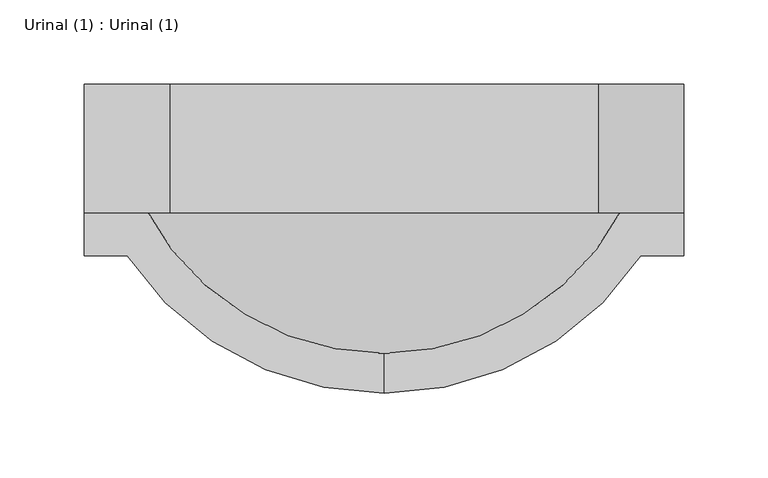
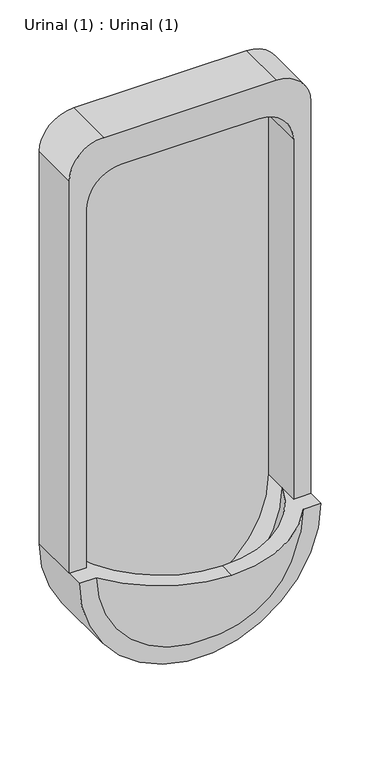
"""IFC4 building model written with IfcOpenShell, lengths in millimetres: flow terminal geometry, Urinal (1) : Urinal (1)."""

from ifc_helpers import new_model, si_unit, point, frame, frame_2d, origin, place, context, project, spatial, polyline, circle_curve, ellipse_curve, trimmed, segment, composite_curve, outline, extrude, source, transform, mapped, element, save
from ifc_brep_helpers import plane_surface, cylinder_surface, revolved_surface, advanced_brep


def urinal_1_urinal_1_4e503481(model_context):
    return source(origin(), model_context, "Body", "SolidModel", [
        advanced_brep(
        [(43.3254001, -131.2, 600.0), (68.7254001, -131.2, 600.0), (68.7254001, -131.2, 1209.6), (17.9254001, -131.2, 1260.4), (-236.0745999, -131.2, 1260.4), (-286.8745999, -131.2, 1209.6), (-286.8745999, -131.2, 600.0), (-261.4745999, -131.2, 600.0), (-261.4745999, -131.2, 1158.8), (-210.6745999, -131.2, 1209.6), (-7.4745999, -131.2, 1209.6), (43.3254001, -131.2, 1158.8), (68.7254001, -55.0, 600.0), (-286.8745999, -55.0, 600.0), (-286.8745999, -55.0, 1209.6), (-236.0745999, -55.0, 1260.4), (17.9254001, -55.0, 1260.4), (68.7254001, -55.0, 1209.6), (43.3254001, -55.0, 1158.8), (-7.4745999, -55.0, 1209.6), (-210.6745999, -55.0, 1209.6), (-261.4745999, -55.0, 1158.8), (-261.4745999, -55.0, 600.0), (43.3254001, -55.0, 600.0), (43.3254001, -101.8706063, 600.0), (-261.4745999, -101.8706063, 600.0), (-109.0745999, -238.1620048, 600.0), (43.3254001, -156.6, 600.0), (68.7254001, -156.6, 600.0), (-109.0745999, -214.4447043, 600.0), (-286.8745999, -156.6, 600.0), (-261.4745999, -156.6, 600.0)],
        [
            (0, 1),
            (1, 2),
            (2, 3, circle_curve(frame((17.9254001, -131.2, 1209.6), z_axis=(0.0, -1.0, 0.0), x_axis=(-1.0, 0.0, 0.0)), 50.8)),
            (3, 4),
            (4, 5, circle_curve(frame((-236.0745999, -131.2, 1209.6), z_axis=(0.0, -1.0, 0.0), x_axis=(-1.0, 0.0, 0.0)), 50.8)),
            (5, 6),
            (6, 7),
            (7, 8),
            (8, 9, circle_curve(frame((-210.6745999, -131.2, 1158.8), z_axis=(0.0, 1.0, 0.0), x_axis=(-1.0, 0.0, 0.0)), 50.8)),
            (9, 10),
            (10, 11, circle_curve(frame((-7.4745999, -131.2, 1158.8), z_axis=(0.0, 1.0, 0.0), x_axis=(-1.0, 0.0, 0.0)), 50.8)),
            (11, 0),
            (12, 13, circle_curve(frame((-109.0745999, -55.0, 600.0), z_axis=(0.0, 1.0, 0.0), x_axis=(1.0, 0.0, 0.0)), 177.8)),
            (13, 14),
            (14, 15, circle_curve(frame((-236.0745999, -55.0, 1209.6), z_axis=(0.0, 1.0, 0.0), x_axis=(-1.0, 0.0, 0.0)), 50.8)),
            (15, 16),
            (16, 17, circle_curve(frame((17.9254001, -55.0, 1209.6), z_axis=(0.0, 1.0, 0.0), x_axis=(-1.0, 0.0, 0.0)), 50.8)),
            (17, 12),
            (18, 19, circle_curve(frame((-7.4745999, -55.0, 1158.8), z_axis=(0.0, -1.0, 0.0), x_axis=(-1.0, 0.0, 0.0)), 50.8)),
            (19, 20),
            (20, 21, circle_curve(frame((-210.6745999, -55.0, 1158.8), z_axis=(0.0, -1.0, 0.0), x_axis=(-1.0, 0.0, 0.0)), 50.8)),
            (21, 22),
            (22, 23, circle_curve(frame((-109.0745999, -55.0, 600.0), z_axis=(0.0, -1.0, 0.0), x_axis=(1.0, 0.0, 0.0)), 152.4)),
            (23, 18),
            (11, 18),
            (23, 24),
            (24, 0),
            (10, 19),
            (9, 20),
            (8, 21),
            (7, 25),
            (25, 22),
            (5, 14),
            (13, 6),
            (4, 15),
            (3, 16),
            (2, 17),
            (1, 12),
            (26, 27, circle_curve(frame((-109.0745999, -55.0, 600.0), z_axis=(0.0, 0.0, 1.0), x_axis=(1.0, 0.0, 0.0)), 183.1620048)),
            (27, 28),
            (28, 1),
            (24, 29, circle_curve(frame((-109.0745999, -55.0, 600.0), z_axis=(0.0, 0.0, -1.0), x_axis=(1.0, 0.0, 0.0)), 159.4447043)),
            (29, 26),
            (29, 25, circle_curve(frame((-109.0745999, -55.0, 600.0), z_axis=(0.0, 0.0, -1.0), x_axis=(-1.0, 0.0, 0.0)), 159.4447043)),
            (6, 30),
            (30, 31),
            (31, 26, circle_curve(frame((-109.0745999, -55.0, 600.0), z_axis=(0.0, 0.0, 1.0), x_axis=(-1.0, 0.0, 0.0)), 183.1620048)),
            (24, 25, circle_curve(frame((-109.0745999, -101.8706063, 600.0), z_axis=(0.0, 1.0, 0.0), x_axis=(1.0, 0.0, 0.0)), 152.4)),
            (28, 30, circle_curve(frame((-109.0745999, -156.6, 600.0), z_axis=(0.0, 1.0, 0.0), x_axis=(1.0, 0.0, 0.0)), 177.8)),
            (27, 31, circle_curve(frame((-109.0745999, -156.6, 600.0), z_axis=(0.0, 1.0, 0.0), x_axis=(1.0, 0.0, 0.0)), 152.4)),
        ],
        [
            plane_surface(frame((43.3254001, -131.2, 600.0), z_axis=(0.0, -1.0, 0.0), x_axis=(0.0, 0.0, 1.0))),
            plane_surface(frame((43.3254001, -55.0, 600.0), z_axis=(0.0, 1.0, 0.0), x_axis=(0.0, 0.0, -1.0))),
            plane_surface(frame((43.3254001, -131.2, 600.0), z_axis=(-1.0, 0.0, 0.0), x_axis=(0.0, 1.0, 0.0))),
            revolved_surface(polyline([(-58.2745999, -55.0, 1158.8), (-58.2745999, -131.2, 1158.8)]), (-7.4745999, -55.0, 1158.8), (0.0, 1.0, 0.0)),
            plane_surface(frame((-7.4745999, -131.2, 1209.6), z_axis=(0.0, 0.0, -1.0), x_axis=(0.0, 1.0, 0.0))),
            revolved_surface(polyline([(-261.4745999, -55.0, 1158.8), (-261.4745999, -131.2, 1158.8)]), (-210.6745999, -55.0, 1158.8), (0.0, 1.0, 0.0)),
            plane_surface(frame((-261.4745999, -131.2, 1158.8), z_axis=(1.0, 0.0, 0.0), x_axis=(0.0, 1.0, 0.0))),
            plane_surface(frame((-286.8745999, -131.2, 600.0), z_axis=(-1.0, 0.0, 0.0), x_axis=(0.0, 1.0, 0.0))),
            cylinder_surface(frame((-236.0745999, -55.0, 1209.6), z_axis=(0.0, -1.0, 0.0), x_axis=(-1.0, 0.0, 0.0)), 50.8),
            plane_surface(frame((-236.0745999, -131.2, 1260.4), z_axis=(0.0, 0.0, 1.0), x_axis=(0.0, 1.0, 0.0))),
            cylinder_surface(frame((17.9254001, -55.0, 1209.6), z_axis=(0.0, -1.0, 0.0), x_axis=(-1.0, 0.0, 0.0)), 50.8),
            plane_surface(frame((68.7254001, -131.2, 1209.6), z_axis=(1.0, 0.0, 0.0), x_axis=(0.0, 1.0, 0.0))),
            plane_surface(frame((-109.0745999, -344.2104173, 600.0), z_axis=(0.0, 0.0, 1.0), x_axis=(1.0, 0.0, 0.0))),
            plane_surface(frame((-109.0745999, -344.2104173, 600.0), z_axis=(0.0, 0.0, 1.0), x_axis=(-1.0, 0.0, 0.0))),
            revolved_surface(trimmed(ellipse_curve(frame((-109.0745999, -55.0, 600.0), z_axis=(0.0, 0.0, 1.0), x_axis=(1.0, 0.0, 0.0)), 159.4447043, 159.4447043), [point((-109.0745999, -214.4447043, 600.0))], [point((43.3254001, -101.8706063, 600.0))], True, "CARTESIAN"), (-109.0745999, -344.2104173, 600.0), (0.0, -1.0, 0.0)),
            revolved_surface(polyline([(43.32540010000001, -101.87060630000002, 600.0), (43.32540010000001, -55.0, 600.0)]), (-109.0745999, -344.2104173, 600.0), (0.0, -1.0, 0.0)),
            cylinder_surface(frame((-109.0745999, -344.2104173, 600.0), z_axis=(0.0, -1.0, 0.0), x_axis=(1.0, 0.0, 0.0)), 177.8),
            plane_surface(frame((-109.0745999, -156.6, 600.0), z_axis=(0.0, -1.0, 0.0), x_axis=(1.0, 0.0, 0.0))),
            revolved_surface(trimmed(ellipse_curve(frame((-109.0745999, -55.0, 600.0), z_axis=(0.0, 0.0, -1.0), x_axis=(1.0, 0.0, 0.0)), 183.1620048, 183.1620048), [point((43.3254001, -156.6, 600.0))], [point((-109.0745999, -238.1620048, 600.0))], True, "CARTESIAN"), (-109.0745999, -344.2104173, 600.0), (0.0, -1.0, 0.0)),
        ],
        [
            (0, [[1, 2, 3, 4, 5, 6, 7, 8, 9, 10, 11, 12]]),
            (1, [[13, 14, 15, 16, 17, 18], [19, 20, 21, 22, 23, 24]]),
            (2, [[25, -24, 26, 27, -12]]),
            (3, [[28, -19, -25, -11]]),
            (4, [[29, -20, -28, -10]]),
            (5, [[30, -21, -29, -9]]),
            (6, [[31, 32, -22, -30, -8]]),
            (7, [[33, -14, 34, -6]]),
            (8, [[35, -15, -33, -5]]),
            (9, [[36, -16, -35, -4]]),
            (10, [[37, -17, -36, -3]]),
            (11, [[38, -18, -37, -2]]),
            (12, [[39, 40, 41, -1, -27, 42, 43]]),
            (13, [[44, -31, -7, 45, 46, 47, -43]]),
            (14, [[48, -44, -42]]),
            (15, [[-26, -23, -32, -48]]),
            (16, [[-38, -41, 49, -45, -34, -13]]),
            (17, [[50, -46, -49, -40]]),
            (18, [[-47, -50, -39]]),
        ],
    ),
        extrude(outline(composite_curve([segment(trimmed(circle_curve(frame_2d((1158.8, -7.4745999)), 50.8), [point((1158.8, 43.3254001))], [point((1209.6, -7.4745999))], False, "CARTESIAN"), True, "CONTINUOUS"), segment(polyline([(1209.6, -7.4745999), (1209.6, -210.6745999)]), True, "CONTINUOUS"), segment(trimmed(circle_curve(frame_2d((1158.8, -210.6745999)), 50.8), [point((1209.6, -210.6745999))], [point((1158.8, -261.4745999))], False, "CARTESIAN"), True, "CONTINUOUS"), segment(polyline([(1158.8, -261.4745999), (600.0, -261.4745999)]), True, "CONTINUOUS"), segment(trimmed(circle_curve(frame_2d((600.0, -109.0745999)), 152.4), [point((600.0, -261.4745999))], [point((600.0, 43.3254001))], False, "CARTESIAN"), True, "CONTINUOUS"), segment(polyline([(600.0, 43.3254001), (1158.8, 43.3254001)]), True, "CONTINUOUS")], self_intersect=False)), frame((0.0, -67.7, 0.0), z_axis=(0.0, 1.0, 0.0), x_axis=(0.0, 0.0, 1.0)), (0.0, 0.0, 1.0), 12.7),
    ])


if __name__ == "__main__":
    model = new_model("IFC4")
    model_context = context("Model", 3, world=origin())
    ifc_project = project(units=[si_unit("LENGTHUNIT", "METRE", prefix="MILLI")], contexts=[model_context])
    site = spatial("IfcSite", under=ifc_project)
    building = spatial("IfcBuilding", under=site)
    placement = place(None, origin())
    urinal_1_urinal_1_shape = urinal_1_urinal_1_4e503481(model_context)
    element("IfcFlowTerminal", 1, ObjectType="Urinal (1) : Urinal (1)", at=placement, inside=building, context=model_context, shape_type="MappedRepresentation", body=[
        mapped(urinal_1_urinal_1_shape, transform((0.0, 0.0, 0.0), x_axis=(1.0, 0.0, 0.0), y_axis=(0.0, 1.0, 0.0), z_axis=(0.0, 0.0, 1.0))),
    ])
    save(model, "model.ifc")
